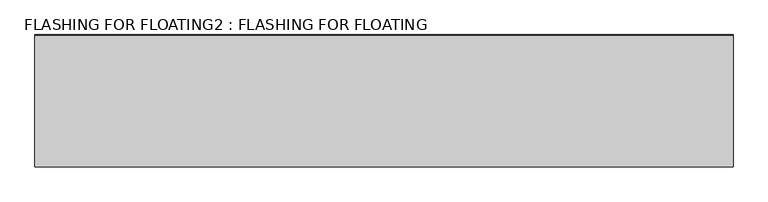
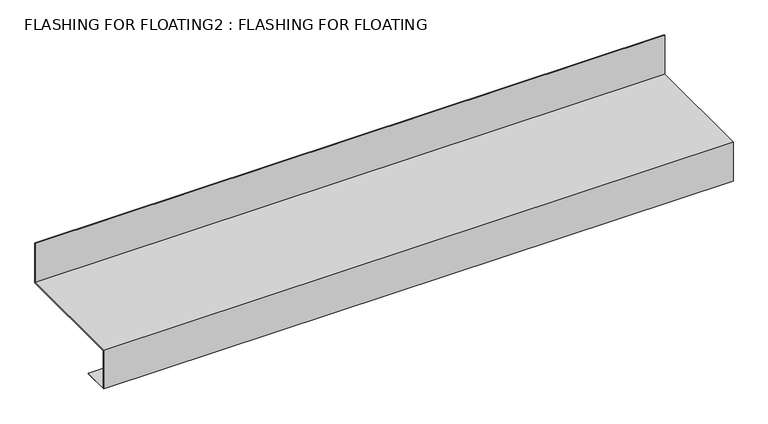
"""IFC4 building model written with IfcOpenShell, lengths in millimetres: proxy geometry, FLASHING FOR FLOATING2 : FLASHING FOR FLOATING."""

import ifcopenshell
import ifcopenshell.guid

model = None  # the IFC model being written
_history = None  # IfcOwnerHistory: only IFC2X3 demands one
_inside = {}  # id of a spatial element -> (the spatial element, [elements in it])
_under = {}  # id of a project, library or spatial element -> (it, [spatial elements below it])
_declared = {}  # id of a project -> (the project, [libraries it declares])
_typed = {}  # id of a type object -> (the type object, [elements of that type])
_made_of = {}  # id of a material, layer set ... -> (it, [elements and type objects made of it])


def new_model(schema):
    """Start an empty IFC model of exactly this schema.

    Asked for "IFC4X3", IfcOpenShell would pick the latest addendum, in which some entities
    have other attributes; the version numbers below select the first issue.
    IFC2X3 requires an IfcOwnerHistory on every rooted entity: one is made here for all.
    """
    global model, _history
    if schema == "IFC4X3":
        model = ifcopenshell.file(schema_version=(4, 3, 0, 0))
    else:
        model = ifcopenshell.file(schema=schema)
    _inside.clear()
    _under.clear()
    _declared.clear()
    _typed.clear()
    _made_of.clear()
    _history = None
    if model.schema == "IFC2X3":
        org = make("IfcOrganization", Name="unknown")
        user = make(
            "IfcPersonAndOrganization",
            ThePerson=make("IfcPerson", FamilyName="unknown"),
            TheOrganization=org,
        )
        app = make(
            "IfcApplication",
            ApplicationDeveloper=org,
            Version="unknown",
            ApplicationFullName="unknown",
            ApplicationIdentifier="unknown",
        )
        _history = make(
            "IfcOwnerHistory",
            OwningUser=user,
            OwningApplication=app,
            ChangeAction="ADDED",
            CreationDate=0,
        )
    return model


def make(cls, **values):
    """One entity of the class cls with the attributes given. An attribute that is None is left unset."""
    return model.create_entity(
        cls, **{name: value for name, value in values.items() if value is not None}
    )


def rooted(cls, **values):
    """An entity with a GlobalId (a new one), such as an element, a storey or a relation."""
    return make(cls, GlobalId=ifcopenshell.guid.new(), OwnerHistory=_history, **values)


def si_unit(unit_type, name, prefix=None):
    """IfcSIUnit, for example si_unit("LENGTHUNIT", "METRE", prefix="MILLI")."""
    return make("IfcSIUnit", UnitType=unit_type, Prefix=prefix, Name=name)


def assignment(units):
    """IfcUnitAssignment: the units of a project."""
    return None if units is None else make("IfcUnitAssignment", Units=units)


def point(xyz):
    """IfcCartesianPoint."""
    return None if xyz is None else make("IfcCartesianPoint", Coordinates=xyz)


def direction(xyz):
    """IfcDirection."""
    return None if xyz is None else make("IfcDirection", DirectionRatios=xyz)


def frame(location, z_axis=None, x_axis=None):
    """IfcAxis2Placement3D, a coordinate frame: its origin and axes. An axis left out is left unset."""
    return make(
        "IfcAxis2Placement3D",
        Location=point(location),
        Axis=direction(z_axis),
        RefDirection=direction(x_axis),
    )


def origin():
    """The frame at (0, 0, 0) with its axes left unset."""
    return frame((0.0, 0.0, 0.0))


def place(relative_to, where):
    """IfcLocalPlacement: puts the frame where relative to a parent placement (None: the world)."""
    return make(
        "IfcLocalPlacement", PlacementRelTo=relative_to, RelativePlacement=where
    )


def context(
    kind, dimensions, precision=None, world=None, true_north=None, identifier=None
):
    """IfcGeometricRepresentationContext, for example the 3D "Model" context."""
    return make(
        "IfcGeometricRepresentationContext",
        ContextIdentifier=identifier,
        ContextType=kind,
        CoordinateSpaceDimension=dimensions,
        Precision=precision,
        WorldCoordinateSystem=world,
        TrueNorth=true_north,
    )


def project(units=None, contexts=None):
    """IfcProject with its units and contexts."""
    return rooted(
        "IfcProject",
        Name="project",
        RepresentationContexts=contexts,
        UnitsInContext=assignment(units),
    )


def spatial(cls, under=None, at=None, **own):
    """A site, building, storey or space (cls), placed at a placement, below another one or the project."""
    s = rooted(cls, ObjectPlacement=at, **own)
    if under is not None:
        _under.setdefault(under.id(), (under, []))[1].append(s)
    return s


def polyline(points):
    """IfcPolyline through the points."""
    return make("IfcPolyline", Points=[point(p) for p in points])


def outline(outer, holes=None, kind="AREA"):
    """IfcArbitraryClosedProfileDef: a profile drawn as a closed curve; with holes, ...WithVoids."""
    if holes is None:
        return make("IfcArbitraryClosedProfileDef", ProfileType=kind, OuterCurve=outer)
    return make(
        "IfcArbitraryProfileDefWithVoids",
        ProfileType=kind,
        OuterCurve=outer,
        InnerCurves=holes,
    )


def extrude(swept, where, along, depth):
    """IfcExtrudedAreaSolid: the profile swept, set in the frame where, extruded along a direction by depth."""
    return make(
        "IfcExtrudedAreaSolid",
        SweptArea=swept,
        Position=where,
        ExtrudedDirection=direction(along),
        Depth=depth,
    )


def shape(context_of_items, identifier, shape_type, items):
    """IfcShapeRepresentation: the items that make up one representation, for example the "Body"."""
    return make(
        "IfcShapeRepresentation",
        ContextOfItems=context_of_items,
        RepresentationIdentifier=identifier,
        RepresentationType=shape_type,
        Items=items,
    )


def source(mapping_origin, context_of_items, identifier, shape_type, items):
    """IfcRepresentationMap: a shape defined once, which mapped items show again and again."""
    return make(
        "IfcRepresentationMap",
        MappingOrigin=mapping_origin,
        MappedRepresentation=shape(context_of_items, identifier, shape_type, items),
    )


def transform(
    local_origin,
    x_axis=None,
    y_axis=None,
    z_axis=None,
    scale=None,
    scale2=None,
    scale3=None,
    uniform=True,
):
    """IfcCartesianTransformationOperator3D, or its non-uniform kind. x_axis, y_axis, z_axis: its Axis1, 2, 3."""
    if uniform:
        return make(
            "IfcCartesianTransformationOperator3D",
            Axis1=direction(x_axis),
            Axis2=direction(y_axis),
            LocalOrigin=point(local_origin),
            Scale=scale,
            Axis3=direction(z_axis),
        )
    return make(
        "IfcCartesianTransformationOperator3DnonUniform",
        Axis1=direction(x_axis),
        Axis2=direction(y_axis),
        LocalOrigin=point(local_origin),
        Scale=scale,
        Axis3=direction(z_axis),
        Scale2=scale2,
        Scale3=scale3,
    )


def mapped(mapping_source, mapping_target):
    """IfcMappedItem: shows the shape of a source again, moved by a transform."""
    return make(
        "IfcMappedItem", MappingSource=mapping_source, MappingTarget=mapping_target
    )


def made_of(thing, what):
    """Note that an element or type object is made of a material, layer set ...; save() writes the relation."""
    if what is not None:
        _made_of.setdefault(what.id(), (what, []))[1].append(thing)
    return thing


def element(
    cls,
    number,
    at=None,
    inside=None,
    cuts=None,
    type_object=None,
    material=None,
    context=None,
    identifier="Body",
    shape_type=None,
    held_by="IfcProductDefinitionShape",
    body=None,
    shapes=None,
    **own,
):
    """One element of the class cls, such as IfcWall. Its Tag is "e" and its number.

    at: its placement. inside: the storey or other place that contains it. cuts: it is an
    opening in that element (IfcRelVoidsElement). A single representation is given by context,
    identifier, shape_type and body (its items); several are given by shapes. held_by: the class
    of the entity that holds the representations. save() writes the other relations.
    """
    e = rooted(cls, Tag="e%d" % number, ObjectPlacement=at, **own)
    if body is not None:
        shapes = [shape(context, identifier, shape_type, body)]
    if shapes is not None:
        e.Representation = make(held_by, Representations=shapes)
    if inside is not None:
        _inside.setdefault(inside.id(), (inside, []))[1].append(e)
    if cuts is not None:
        rooted(
            "IfcRelVoidsElement", RelatingBuildingElement=cuts, RelatedOpeningElement=e
        )
    if type_object is not None:
        _typed.setdefault(type_object.id(), (type_object, []))[1].append(e)
    return made_of(e, material)


def aggregate(whole, parts):
    """IfcRelAggregates: a whole, such as a stair, and the parts it consists of."""
    return rooted("IfcRelAggregates", RelatingObject=whole, RelatedObjects=parts)


def save(model, path):
    """Write the relations noted so far, then the file.

    IfcRelAggregates (storeys below a building ...), IfcRelContainedInSpatialStructure (elements
    in a storey), IfcRelDefinesByType, IfcRelAssociatesMaterial and IfcRelDeclares: one each for
    every whole, place, type object, material and project.
    """
    for whole, parts in _under.values():
        aggregate(whole, parts)
    for where, things in _inside.values():
        rooted(
            "IfcRelContainedInSpatialStructure",
            RelatedElements=things,
            RelatingStructure=where,
        )
    for kind, things in _typed.values():
        rooted("IfcRelDefinesByType", RelatedObjects=things, RelatingType=kind)
    for what, things in _made_of.values():
        rooted("IfcRelAssociatesMaterial", RelatedObjects=things, RelatingMaterial=what)
    for by, libraries in _declared.values():
        rooted("IfcRelDeclares", RelatingContext=by, RelatedDefinitions=libraries)
    model.write(path)


def flashing_for_floating2_flashing_for_floating_77330256(model_context):
    return source(origin(), model_context, "Body", "SweptSolid", [
        extrude(outline(polyline([(-28667.3993281, 1501.2089236), (-28667.3993281, 1425.489287), (-28617.3993281, 1425.489287), (-28617.3993281, 1424.489287), (-28668.3993281, 1424.489287), (-28668.3993281, 1502.2089236), (-28442.1493281, 1502.2089236), (-28442.1493281, 1581.2089236), (-28441.1493281, 1581.2089236), (-28441.1493281, 1501.2089236), (-28667.3993281, 1501.2089236)])), frame((6415.3725037, 0.0, 0.0), z_axis=(1.0, 0.0, 0.0), x_axis=(0.0, 1.0, 0.0)), (0.0, 0.0, 1.0), 1200.0),
    ])


if __name__ == "__main__":
    model = new_model("IFC4")
    model_context = context("Model", 3, world=origin())
    ifc_project = project(units=[si_unit("LENGTHUNIT", "METRE", prefix="MILLI")], contexts=[model_context])
    site = spatial("IfcSite", under=ifc_project)
    building = spatial("IfcBuilding", under=site)
    placement = place(None, origin())
    flashing_for_floating2_flashing_for_floating_shape = flashing_for_floating2_flashing_for_floating_77330256(model_context)
    element("IfcBuildingElementProxy", 1, Name="FLASHING FOR FLOATING2 : FLASHING FOR FLOATING", ObjectType="FLASHING FOR FLOATING2 : FLASHING FOR FLOATING", at=placement, inside=building, context=model_context, shape_type="MappedRepresentation", body=[
        mapped(flashing_for_floating2_flashing_for_floating_shape, transform((0.0, 0.0, 0.0), x_axis=(1.0, 0.0, 0.0), y_axis=(0.0, 1.0, 0.0), z_axis=(0.0, 0.0, 1.0))),
    ])
    save(model, "model.ifc")
